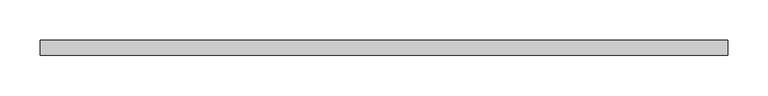
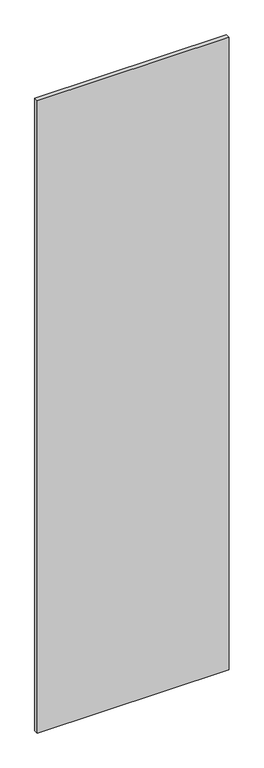
"""IFC4 building model written with IfcOpenShell, lengths in millimetres: proxy geometry."""

from ifc_helpers import new_model, si_unit, frame, origin, place, context, project, spatial, polyline, outline, extrude, source, transform, mapped, element, save


def specialty_equipment_b1081220(model_context):
    return source(origin(), model_context, "Body", "SweptSolid", [
        extrude(outline(polyline([(429.9204, 9.525), (429.9204, -9.525), (-429.9204, -9.525), (-429.9204, 9.525), (429.9204, 9.525)])), frame((0.0, 0.0, 3.175), z_axis=(0.0, 0.0, 1.0), x_axis=(1.0, 0.0, 0.0)), (0.0, 0.0, 1.0), 2996.3618001),
    ])


if __name__ == "__main__":
    model = new_model("IFC4")
    model_context = context("Model", 3, world=origin())
    ifc_project = project(units=[si_unit("LENGTHUNIT", "METRE", prefix="MILLI")], contexts=[model_context])
    site = spatial("IfcSite", under=ifc_project)
    building = spatial("IfcBuilding", under=site)
    placement = place(None, origin())
    specialty_equipment_shape = specialty_equipment_b1081220(model_context)
    element("IfcBuildingElementProxy", 1, Name="Specialty Equipment", at=placement, inside=building, context=model_context, shape_type="MappedRepresentation", body=[
        mapped(specialty_equipment_shape, transform((0.0, 0.0, 0.0), x_axis=(1.0, 0.0, 0.0), y_axis=(0.0, 1.0, 0.0), z_axis=(0.0, 0.0, 1.0))),
    ])
    save(model, "model.ifc")
